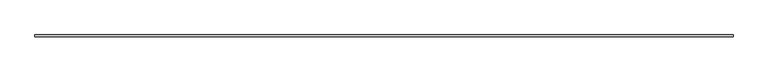
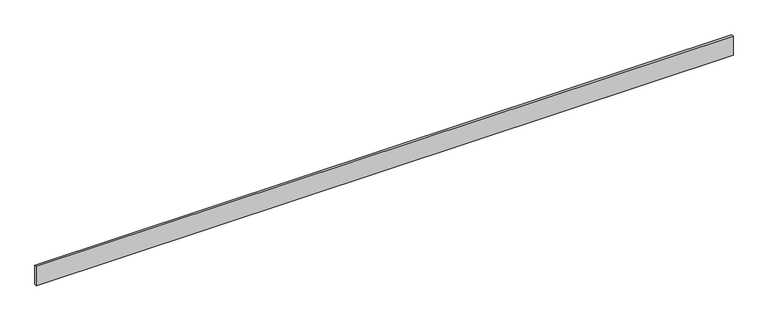
"""IFC4 building model written with IfcOpenShell, lengths in millimetres: furniture geometry."""

from ifc_helpers import new_model, si_unit, origin, origin_with_axes, place, context, project, spatial, polyline, outline, extrude, source, transform, mapped, element, save


def furniture_e22c2209(model_context):
    return source(origin(), model_context, "Body", "SweptSolid", [
        extrude(outline(polyline([(0.0, 0.0), (0.0, 10.0), (3427.8121547, 10.0), (3427.8121547, 0.0), (0.0, 0.0)])), origin_with_axes(), (0.0, 0.0, 1.0), 100.0),
    ])


if __name__ == "__main__":
    model = new_model("IFC4")
    model_context = context("Model", 3, world=origin())
    ifc_project = project(units=[si_unit("LENGTHUNIT", "METRE", prefix="MILLI")], contexts=[model_context])
    site = spatial("IfcSite", under=ifc_project)
    building = spatial("IfcBuilding", under=site)
    placement = place(None, origin())
    furniture_shape = furniture_e22c2209(model_context)
    element("IfcFurniture", 1, at=placement, inside=building, context=model_context, shape_type="MappedRepresentation", body=[
        mapped(furniture_shape, transform((0.0, 0.0, 0.0), x_axis=(1.0, 0.0, 0.0), y_axis=(0.0, 1.0, 0.0), z_axis=(0.0, 0.0, 1.0))),
    ])
    save(model, "model.ifc")
